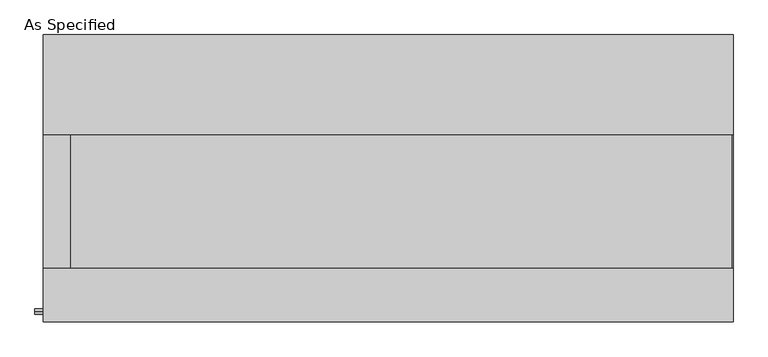
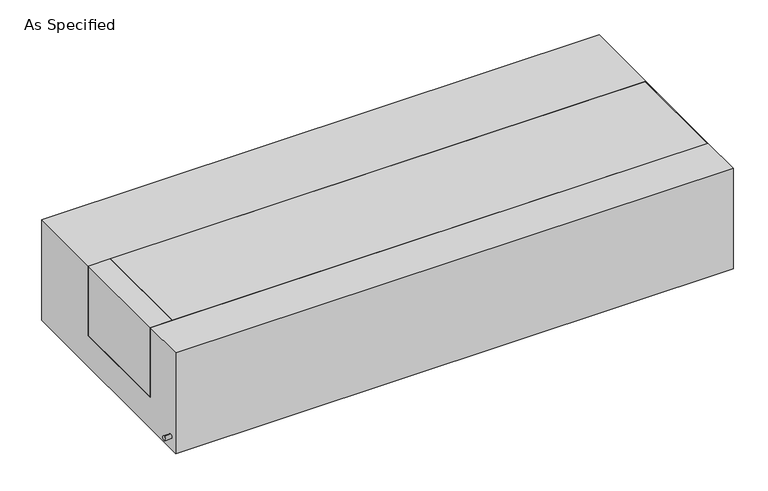
"""IFC4 building model written with IfcOpenShell, lengths in millimetres: proxy geometry, As Specified."""

from ifc_helpers import new_model, si_unit, point, frame, frame_2d, origin, place, context, project, spatial, polyline, circle_curve, trimmed, segment, composite_curve, outline, extrude, source, transform, mapped, element, save


def as_specified_f0b4ccb2(model_context):
    return source(origin(), model_context, "Body", "SweptSolid", [
        extrude(outline(composite_curve([segment(trimmed(circle_curve(frame_2d((-509.5875, -466.725)), 10.5), [point((-509.5875, -456.225))], [point((-509.5875, -477.225))], False, "CARTESIAN"), True, "CONTINUOUS"), segment(trimmed(circle_curve(frame_2d((-509.5875, -466.725)), 10.5), [point((-509.5875, -477.225))], [point((-509.5875, -456.225))], False, "CARTESIAN"), True, "CONTINUOUS")], self_intersect=False)), frame((-1351.0528384, 0.0, 0.0), z_axis=(1.0, 0.0, 0.0), x_axis=(0.0, 1.0, 0.0)), (0.0, 0.0, 1.0), 31.8403384),
        extrude(outline(polyline([(-1216.81875, 165.1), (-1216.81875, -342.9), (-1319.2125, -342.9), (-1319.2125, 165.1), (-1216.81875, 165.1)])), frame((0.0, 0.0, -373.0625), z_axis=(0.0, 0.0, 1.0), x_axis=(1.0, 0.0, 0.0)), (0.0, 0.0, 1.0), 347.6625),
        extrude(outline(polyline([(1315.24375, 165.1), (1319.2125, 165.1), (1319.2125, -342.9), (1315.24375, -342.9), (1315.24375, 165.1)])), frame((0.0, 0.0, -39.6875), z_axis=(0.0, 0.0, 1.0), x_axis=(1.0, 0.0, 0.0)), (0.0, 0.0, 1.0), 14.2875),
        extrude(outline(polyline([(1319.2125, 165.1), (1319.2125, -342.9), (-1216.81875, -342.9), (-1216.81875, 165.1), (1319.2125, 165.1)])), frame((0.0, 0.0, -373.0625), z_axis=(0.0, 0.0, 1.0), x_axis=(1.0, 0.0, 0.0)), (0.0, 0.0, 1.0), 347.6625),
        extrude(outline(polyline([(549.275, -25.4), (549.275, -530.225), (-549.275, -530.225), (-549.275, -25.4), (-342.9, -25.4), (-342.9, -373.0625), (165.1, -373.0625), (165.1, -25.4), (549.275, -25.4)])), frame((-1319.2125, 0.0, 0.0), z_axis=(1.0, 0.0, 0.0), x_axis=(0.0, 1.0, 0.0)), (0.0, 0.0, 1.0), 2638.425),
    ])


if __name__ == "__main__":
    model = new_model("IFC4")
    model_context = context("Model", 3, world=origin())
    ifc_project = project(units=[si_unit("LENGTHUNIT", "METRE", prefix="MILLI")], contexts=[model_context])
    site = spatial("IfcSite", under=ifc_project)
    building = spatial("IfcBuilding", under=site)
    placement = place(None, origin())
    as_specified_shape = as_specified_f0b4ccb2(model_context)
    element("IfcBuildingElementProxy", 1, Name="As Specified", ObjectType="As Specified", at=placement, inside=building, context=model_context, shape_type="MappedRepresentation", body=[
        mapped(as_specified_shape, transform((0.0, 0.0, 0.0), x_axis=(1.0, 0.0, 0.0), y_axis=(0.0, 1.0, 0.0), z_axis=(0.0, 0.0, 1.0))),
    ])
    save(model, "model.ifc")
